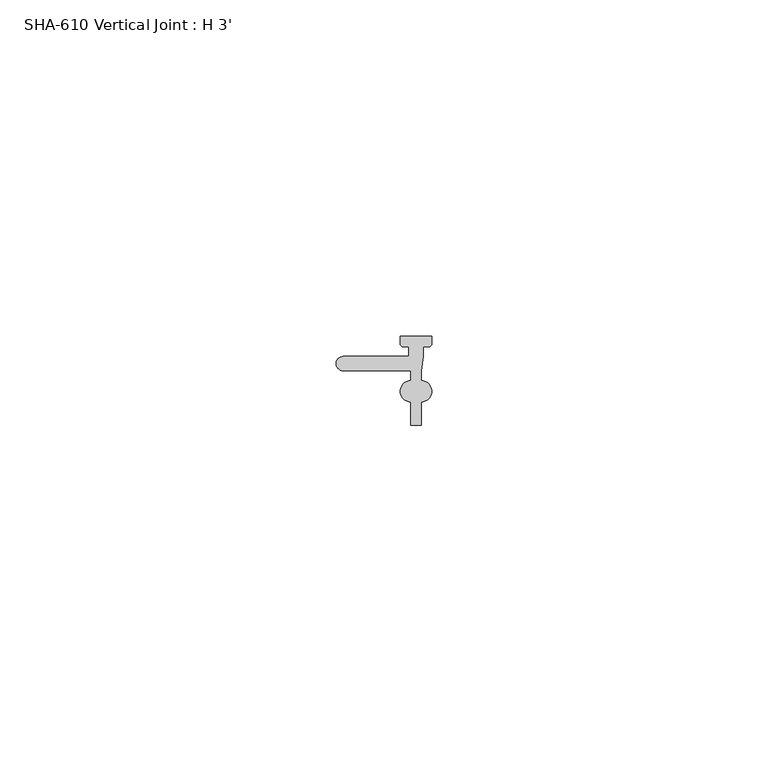
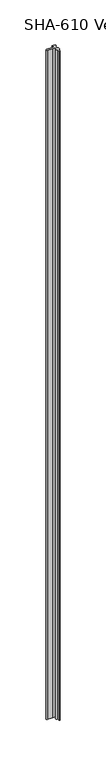
"""IFC4 building model written with IfcOpenShell, lengths in millimetres: proxy geometry, SHA-610 Vertical Joint : H 3'."""

from ifc_helpers import new_model, si_unit, point, frame_2d, origin, origin_with_axes, place, context, project, spatial, polyline, circle_curve, trimmed, segment, composite_curve, outline, extrude, source, transform, mapped, element, save


def sha_610_vertical_joint_h_3_ff52e4d2(model_context):
    return source(origin(), model_context, "Body", "SweptSolid", [
        extrude(outline(composite_curve([segment(trimmed(circle_curve(frame_2d((12.6746, -8.2092789)), 1.5748), [point((12.6748534, -6.6344789))], [point((12.6748534, -9.7840789))], False, "CARTESIAN"), True, "CONTINUOUS"), segment(polyline([(12.6748534, -9.7840789), (12.6748534, -13.2892789), (11.0995463, -13.2892789), (11.0995463, -9.7840789)]), True, "CONTINUOUS"), segment(trimmed(circle_curve(frame_2d((11.0997997, -8.2092789)), 1.5748), [point((11.0995463, -9.7840789))], [point((11.0995462, -6.6344789))], False, "CARTESIAN"), True, "CONTINUOUS"), segment(polyline([(11.0995462, -6.6344789), (11.0995462, -5.1485789), (7.2987953, -5.1485789), (1.0667997, -5.1485789)]), True, "CONTINUOUS"), segment(trimmed(circle_curve(frame_2d((1.0667997, -4.0817789)), 1.0668), [point((1.0667997, -5.1485789))], [point((1.0667997, -3.0149789))], False, "CARTESIAN"), True, "CONTINUOUS"), segment(polyline([(1.0667997, -3.0149789), (7.2987953, -3.0149789), (10.8203997, -3.0149789), (10.8203997, -1.5875), (10.0382423, -1.5875)]), True, "CONTINUOUS"), segment(trimmed(circle_curve(frame_2d((10.0382423, -1.0742572)), 0.5132428), [point((10.0382423, -1.5875))], [point((9.5249995, -1.0742572))], False, "CARTESIAN"), True, "CONTINUOUS"), segment(polyline([(9.5249995, -1.0742572), (9.5249997, 0.0), (11.8871997, 0.0), (14.2494, 0.0), (14.2494, -1.0742572)]), True, "CONTINUOUS"), segment(trimmed(circle_curve(frame_2d((13.7361572, -1.0742572)), 0.5132428), [point((14.2494, -1.0742572))], [point((13.7361572, -1.5875))], False, "CARTESIAN"), True, "CONTINUOUS"), segment(polyline([(13.7361572, -1.5875), (12.9539997, -1.5875), (12.9539997, -3.0149789), (12.6748534, -5.1485789), (12.6748534, -6.6344789)]), True, "CONTINUOUS")], self_intersect=False)), origin_with_axes(), (0.0, 0.0, 1.0), 914.4),
    ])


if __name__ == "__main__":
    model = new_model("IFC4")
    model_context = context("Model", 3, world=origin())
    ifc_project = project(units=[si_unit("LENGTHUNIT", "METRE", prefix="MILLI")], contexts=[model_context])
    site = spatial("IfcSite", under=ifc_project)
    building = spatial("IfcBuilding", under=site)
    placement = place(None, origin())
    sha_610_vertical_joint_h_3_shape = sha_610_vertical_joint_h_3_ff52e4d2(model_context)
    element("IfcBuildingElementProxy", 1, Name="SHA-610 Vertical Joint : H 3'", ObjectType="SHA-610 Vertical Joint : H 3'", at=placement, inside=building, context=model_context, shape_type="MappedRepresentation", body=[
        mapped(sha_610_vertical_joint_h_3_shape, transform((0.0, 0.0, 0.0), x_axis=(1.0, 0.0, 0.0), y_axis=(0.0, 1.0, 0.0), z_axis=(0.0, 0.0, 1.0))),
    ])
    save(model, "model.ifc")
